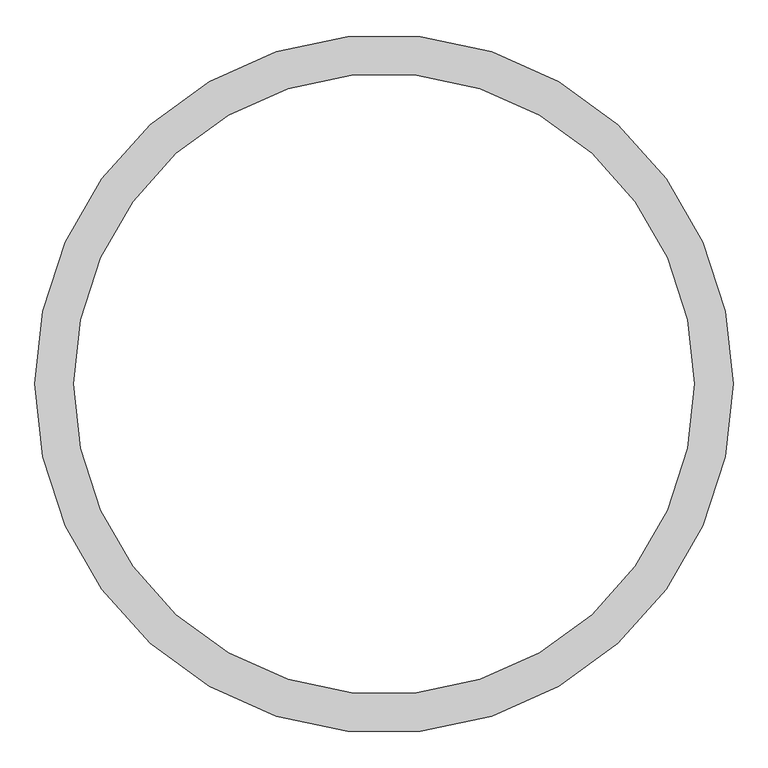
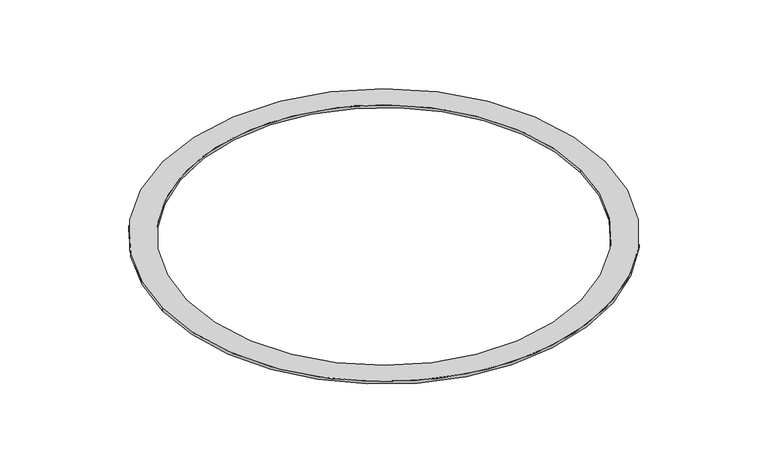
"""IFC4 building model written with IfcOpenShell, lengths in millimetres: furniture geometry."""

from ifc_helpers import new_model, si_unit, point, origin, origin_with_axes, origin_2d, place, context, project, spatial, circle_curve, trimmed, segment, composite_curve, outline, extrude, source, transform, mapped, element, save


def furniture_cab392a2(model_context):
    return source(origin(), model_context, "Body", "SweptSolid", [
        extrude(outline(composite_curve([segment(trimmed(circle_curve(origin_2d(), 808.1680806), [point((-808.1680806, 0.0))], [point((808.1680806, 0.0))], False, "CARTESIAN"), True, "CONTINUOUS"), segment(trimmed(circle_curve(origin_2d(), 808.1680806), [point((808.1680806, 0.0))], [point((-808.1680806, 0.0))], False, "CARTESIAN"), True, "CONTINUOUS")], self_intersect=False), holes=[composite_curve([segment(trimmed(circle_curve(origin_2d(), 718.1680806), [point((718.1680806, 0.0))], [point((-718.1680806, 0.0))], True, "CARTESIAN"), True, "CONTINUOUS"), segment(trimmed(circle_curve(origin_2d(), 718.1680806), [point((-718.1680806, 0.0))], [point((718.1680806, 0.0))], True, "CARTESIAN"), True, "CONTINUOUS")], self_intersect=False)]), origin_with_axes(), (0.0, 0.0, 1.0), 10.0),
    ])


if __name__ == "__main__":
    model = new_model("IFC4")
    model_context = context("Model", 3, world=origin())
    ifc_project = project(units=[si_unit("LENGTHUNIT", "METRE", prefix="MILLI")], contexts=[model_context])
    site = spatial("IfcSite", under=ifc_project)
    building = spatial("IfcBuilding", under=site)
    placement = place(None, origin())
    furniture_shape = furniture_cab392a2(model_context)
    element("IfcFurniture", 1, at=placement, inside=building, context=model_context, shape_type="MappedRepresentation", body=[
        mapped(furniture_shape, transform((0.0, 0.0, 0.0), x_axis=(1.0, 0.0, 0.0), y_axis=(0.0, 1.0, 0.0), z_axis=(0.0, 0.0, 1.0))),
    ])
    save(model, "model.ifc")
